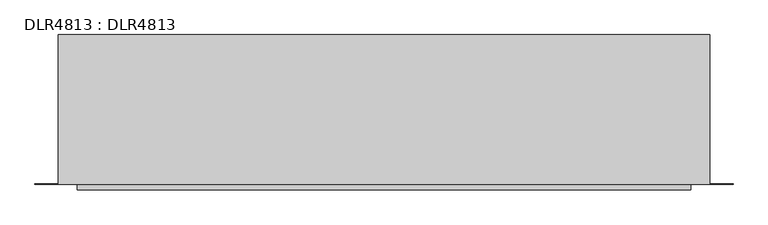
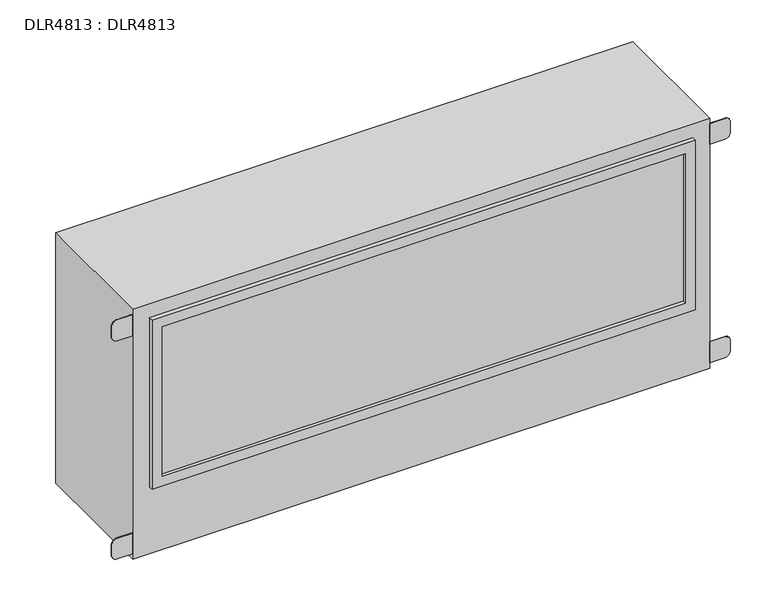
"""IFC4 building model written with IfcOpenShell, lengths in millimetres: proxy geometry, DLR4813 : DLR4813."""

from ifc_helpers import new_model, si_unit, point, frame, frame_2d, origin, origin_with_axes, place, context, project, spatial, polyline, circle_curve, trimmed, segment, composite_curve, outline, extrude, source, transform, mapped, element, save


def dlr4813_dlr4813_788044a6(model_context):
    return source(origin(), model_context, "Body", "SweptSolid", [
        extrude(outline(polyline([(616.74375, -159.54375), (-616.74375, -159.54375), (-616.74375, -156.36875), (616.74375, -156.36875), (616.74375, -159.54375)])), frame((0.0, 0.0, 191.29375), z_axis=(0.0, 0.0, 1.0), x_axis=(1.0, 0.0, 0.0)), (0.0, 0.0, 1.0), 373.0625),
        extrude(outline(composite_curve([segment(polyline([(556.7760378, 678.65625), (556.7760378, 714.5903826)]), True, "CONTINUOUS"), segment(trimmed(circle_curve(frame_2d((569.8453022, 714.5903826)), 13.0692643), [point((556.7760378, 714.5903826))], [point((569.8453022, 727.6596469))], False, "CARTESIAN"), True, "CONTINUOUS"), segment(polyline([(569.8453022, 727.6596469), (595.6031727, 727.6596469)]), True, "CONTINUOUS"), segment(trimmed(circle_curve(frame_2d((595.6031727, 714.9710408)), 12.6886061), [point((595.6031727, 727.6596469))], [point((608.2917788, 714.9710408))], False, "CARTESIAN"), True, "CONTINUOUS"), segment(polyline([(608.2917788, 714.9710408), (608.2917788, 678.65625), (556.7760378, 678.65625)]), True, "CONTINUOUS")], self_intersect=False)), frame((0.0, -156.36875, 0.0), z_axis=(0.0, 1.0, 0.0), x_axis=(0.0, 0.0, 1.0)), (0.0, 0.0, 1.0), 1.5875),
        extrude(outline(composite_curve([segment(polyline([(65.5239622, 678.65625), (14.0082212, 678.65625), (14.0082212, 714.9710408)]), True, "CONTINUOUS"), segment(trimmed(circle_curve(frame_2d((26.6968273, 714.9710408)), 12.6886061), [point((14.0082212, 714.9710408))], [point((26.6968273, 727.6596469))], False, "CARTESIAN"), True, "CONTINUOUS"), segment(polyline([(26.6968273, 727.6596469), (52.4546978, 727.6596469)]), True, "CONTINUOUS"), segment(trimmed(circle_curve(frame_2d((52.4546978, 714.5903826)), 13.0692643), [point((52.4546978, 727.6596469))], [point((65.5239622, 714.5903826))], False, "CARTESIAN"), True, "CONTINUOUS"), segment(polyline([(65.5239622, 714.5903826), (65.5239622, 678.65625)]), True, "CONTINUOUS")], self_intersect=False)), frame((0.0, -156.36875, 0.0), z_axis=(0.0, 1.0, 0.0), x_axis=(0.0, 0.0, 1.0)), (0.0, 0.0, 1.0), 1.5875),
        extrude(outline(composite_curve([segment(polyline([(556.7760378, -678.65625), (608.2917788, -678.65625), (608.2917788, -714.9710408)]), True, "CONTINUOUS"), segment(trimmed(circle_curve(frame_2d((595.6031727, -714.9710408)), 12.6886061), [point((608.2917788, -714.9710408))], [point((595.6031727, -727.6596469))], False, "CARTESIAN"), True, "CONTINUOUS"), segment(polyline([(595.6031727, -727.6596469), (569.8453022, -727.6596469)]), True, "CONTINUOUS"), segment(trimmed(circle_curve(frame_2d((569.8453022, -714.5903826)), 13.0692643), [point((569.8453022, -727.6596469))], [point((556.7760378, -714.5903826))], False, "CARTESIAN"), True, "CONTINUOUS"), segment(polyline([(556.7760378, -714.5903826), (556.7760378, -678.65625)]), True, "CONTINUOUS")], self_intersect=False)), frame((0.0, -156.36875, 0.0), z_axis=(0.0, 1.0, 0.0), x_axis=(0.0, 0.0, 1.0)), (0.0, 0.0, 1.0), 1.5875),
        extrude(outline(composite_curve([segment(polyline([(65.5239622, -678.65625), (65.5239622, -714.5903826)]), True, "CONTINUOUS"), segment(trimmed(circle_curve(frame_2d((52.4546978, -714.5903826)), 13.0692643), [point((65.5239622, -714.5903826))], [point((52.4546978, -727.6596469))], False, "CARTESIAN"), True, "CONTINUOUS"), segment(polyline([(52.4546978, -727.6596469), (26.6968273, -727.6596469)]), True, "CONTINUOUS"), segment(trimmed(circle_curve(frame_2d((26.6968273, -714.9710408)), 12.6886061), [point((26.6968273, -727.6596469))], [point((14.0082212, -714.9710408))], False, "CARTESIAN"), True, "CONTINUOUS"), segment(polyline([(14.0082212, -714.9710408), (14.0082212, -678.65625), (65.5239622, -678.65625)]), True, "CONTINUOUS")], self_intersect=False)), frame((0.0, -156.36875, 0.0), z_axis=(0.0, 1.0, 0.0), x_axis=(0.0, 0.0, 1.0)), (0.0, 0.0, 1.0), 1.5875),
        extrude(outline(polyline([(587.375, 638.96875), (587.375, -638.96875), (166.6875, -638.96875), (166.6875, 638.96875), (587.375, 638.96875)]), holes=[polyline([(562.76875, -615.15625), (562.76875, 615.15625), (191.29375, 615.15625), (191.29375, -615.15625), (562.76875, -615.15625)])]), frame((0.0, -167.48125, 0.0), z_axis=(0.0, 1.0, 0.0), x_axis=(0.0, 0.0, 1.0)), (0.0, 0.0, 1.0), 11.1125),
        extrude(outline(polyline([(678.65625, 156.36875), (678.65625, -156.36875), (-678.65625, -156.36875), (-678.65625, 156.36875), (678.65625, 156.36875)])), origin_with_axes(), (0.0, 0.0, 1.0), 622.3),
    ])


if __name__ == "__main__":
    model = new_model("IFC4")
    model_context = context("Model", 3, world=origin())
    ifc_project = project(units=[si_unit("LENGTHUNIT", "METRE", prefix="MILLI")], contexts=[model_context])
    site = spatial("IfcSite", under=ifc_project)
    building = spatial("IfcBuilding", under=site)
    placement = place(None, origin())
    dlr4813_dlr4813_shape = dlr4813_dlr4813_788044a6(model_context)
    element("IfcBuildingElementProxy", 1, Name="DLR4813 : DLR4813", ObjectType="DLR4813 : DLR4813", at=placement, inside=building, context=model_context, shape_type="MappedRepresentation", body=[
        mapped(dlr4813_dlr4813_shape, transform((0.0, 0.0, 0.0), x_axis=(1.0, 0.0, 0.0), y_axis=(0.0, 1.0, 0.0), z_axis=(0.0, 0.0, 1.0))),
    ])
    save(model, "model.ifc")
